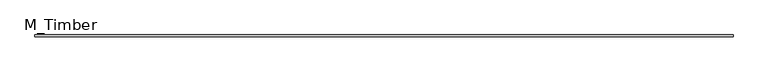
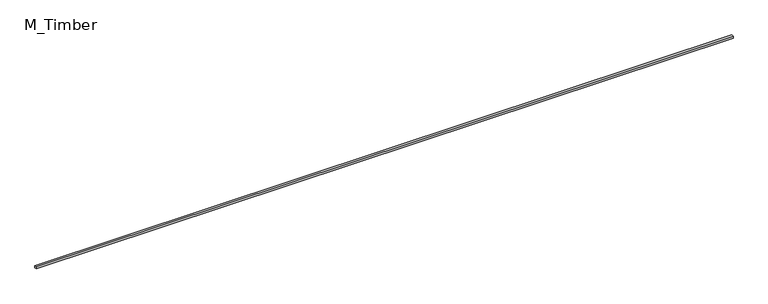
"""IFC4 building model written with IfcOpenShell, lengths in millimetres: beam geometry, M_Timber."""

from ifc_helpers import new_model, si_unit, frame, origin, place, context, project, spatial, polyline, outline, extrude, source, transform, mapped, element, save


def m_timber_1387564f(model_context):
    return source(origin(), model_context, "Body", "SweptSolid", [
        extrude(outline(polyline([(6712.5605191, 20.0), (6712.5605191, -20.0), (-6712.5605191, -20.0), (-6712.5605191, 20.0), (6712.5605191, 20.0)])), frame((0.0, 0.0, -20.0), z_axis=(0.0, 0.0, 1.0), x_axis=(1.0, 0.0, 0.0)), (0.0, 0.0, 1.0), 40.0),
    ])


if __name__ == "__main__":
    model = new_model("IFC4")
    model_context = context("Model", 3, world=origin())
    ifc_project = project(units=[si_unit("LENGTHUNIT", "METRE", prefix="MILLI")], contexts=[model_context])
    site = spatial("IfcSite", under=ifc_project)
    building = spatial("IfcBuilding", under=site)
    placement = place(None, origin())
    m_timber_shape = m_timber_1387564f(model_context)
    element("IfcBeam", 1, ObjectType="M_Timber", at=placement, inside=building, context=model_context, shape_type="MappedRepresentation", body=[
        mapped(m_timber_shape, transform((0.0, 0.0, 0.0), x_axis=(1.0, 0.0, 0.0), y_axis=(0.0, 1.0, 0.0), z_axis=(0.0, 0.0, 1.0))),
    ])
    save(model, "model.ifc")
